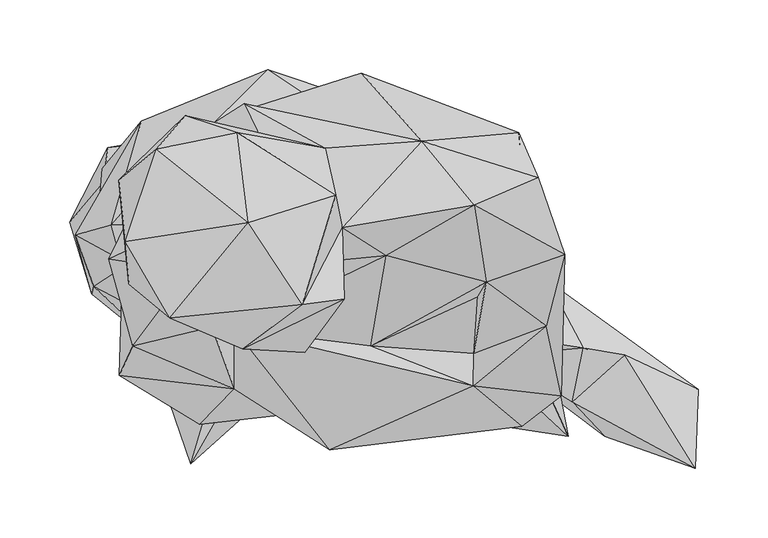
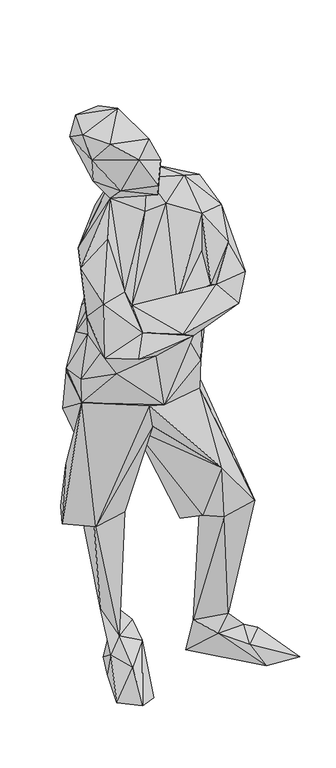
"""IFC4 building model written with IfcOpenShell, lengths in millimetres: geographic element geometry."""

import ifcopenshell
import ifcopenshell.guid

model = None  # the IFC model being written
_history = None  # IfcOwnerHistory: only IFC2X3 demands one
_inside = {}  # id of a spatial element -> (the spatial element, [elements in it])
_under = {}  # id of a project, library or spatial element -> (it, [spatial elements below it])
_declared = {}  # id of a project -> (the project, [libraries it declares])
_typed = {}  # id of a type object -> (the type object, [elements of that type])
_made_of = {}  # id of a material, layer set ... -> (it, [elements and type objects made of it])


def new_model(schema):
    """Start an empty IFC model of exactly this schema.

    Asked for "IFC4X3", IfcOpenShell would pick the latest addendum, in which some entities
    have other attributes; the version numbers below select the first issue.
    IFC2X3 requires an IfcOwnerHistory on every rooted entity: one is made here for all.
    """
    global model, _history
    if schema == "IFC4X3":
        model = ifcopenshell.file(schema_version=(4, 3, 0, 0))
    else:
        model = ifcopenshell.file(schema=schema)
    _inside.clear()
    _under.clear()
    _declared.clear()
    _typed.clear()
    _made_of.clear()
    _history = None
    if model.schema == "IFC2X3":
        org = make("IfcOrganization", Name="unknown")
        user = make(
            "IfcPersonAndOrganization",
            ThePerson=make("IfcPerson", FamilyName="unknown"),
            TheOrganization=org,
        )
        app = make(
            "IfcApplication",
            ApplicationDeveloper=org,
            Version="unknown",
            ApplicationFullName="unknown",
            ApplicationIdentifier="unknown",
        )
        _history = make(
            "IfcOwnerHistory",
            OwningUser=user,
            OwningApplication=app,
            ChangeAction="ADDED",
            CreationDate=0,
        )
    return model


def make(cls, **values):
    """One entity of the class cls with the attributes given. An attribute that is None is left unset."""
    return model.create_entity(
        cls, **{name: value for name, value in values.items() if value is not None}
    )


def rooted(cls, **values):
    """An entity with a GlobalId (a new one), such as an element, a storey or a relation."""
    return make(cls, GlobalId=ifcopenshell.guid.new(), OwnerHistory=_history, **values)


def si_unit(unit_type, name, prefix=None):
    """IfcSIUnit, for example si_unit("LENGTHUNIT", "METRE", prefix="MILLI")."""
    return make("IfcSIUnit", UnitType=unit_type, Prefix=prefix, Name=name)


def assignment(units):
    """IfcUnitAssignment: the units of a project."""
    return None if units is None else make("IfcUnitAssignment", Units=units)


def point(xyz):
    """IfcCartesianPoint."""
    return None if xyz is None else make("IfcCartesianPoint", Coordinates=xyz)


def direction(xyz):
    """IfcDirection."""
    return None if xyz is None else make("IfcDirection", DirectionRatios=xyz)


def frame(location, z_axis=None, x_axis=None):
    """IfcAxis2Placement3D, a coordinate frame: its origin and axes. An axis left out is left unset."""
    return make(
        "IfcAxis2Placement3D",
        Location=point(location),
        Axis=direction(z_axis),
        RefDirection=direction(x_axis),
    )


def origin():
    """The frame at (0, 0, 0) with its axes left unset."""
    return frame((0.0, 0.0, 0.0))


def place(relative_to, where):
    """IfcLocalPlacement: puts the frame where relative to a parent placement (None: the world)."""
    return make(
        "IfcLocalPlacement", PlacementRelTo=relative_to, RelativePlacement=where
    )


def context(
    kind, dimensions, precision=None, world=None, true_north=None, identifier=None
):
    """IfcGeometricRepresentationContext, for example the 3D "Model" context."""
    return make(
        "IfcGeometricRepresentationContext",
        ContextIdentifier=identifier,
        ContextType=kind,
        CoordinateSpaceDimension=dimensions,
        Precision=precision,
        WorldCoordinateSystem=world,
        TrueNorth=true_north,
    )


def project(units=None, contexts=None):
    """IfcProject with its units and contexts."""
    return rooted(
        "IfcProject",
        Name="project",
        RepresentationContexts=contexts,
        UnitsInContext=assignment(units),
    )


def spatial(cls, under=None, at=None, **own):
    """A site, building, storey or space (cls), placed at a placement, below another one or the project."""
    s = rooted(cls, ObjectPlacement=at, **own)
    if under is not None:
        _under.setdefault(under.id(), (under, []))[1].append(s)
    return s


def faces_of(points, faces, orient=None, outer=None):
    """IfcFace entities. A face is a list of loops; a loop is a list of indices into points, from 0.

    orient and outer hold one flag for each loop. By default every Orientation is true, the
    first loop of a face is its IfcFaceOuterBound and the others are IfcFaceBound.
    """
    made = []
    for i, loops in enumerate(faces):
        bounds = []
        for j, loop in enumerate(loops):
            is_outer = j == 0 if outer is None else outer[i][j]
            bounds.append(
                make(
                    "IfcFaceOuterBound" if is_outer else "IfcFaceBound",
                    Bound=make("IfcPolyLoop", Polygon=[points[k] for k in loop]),
                    Orientation=True if orient is None else orient[i][j],
                )
            )
        made.append(make("IfcFace", Bounds=bounds))
    return made


def faceted_brep(points, faces, orient=None, outer=None, voids=None):
    """IfcFacetedBrep: a solid bounded by flat faces; with voids (closed shells), ...WithVoids."""
    shared = [point(p) for p in points]
    hull = make("IfcClosedShell", CfsFaces=faces_of(shared, faces, orient, outer))
    if voids is None:
        return make("IfcFacetedBrep", Outer=hull)
    return make(
        "IfcFacetedBrepWithVoids",
        Outer=hull,
        Voids=[
            make(cls, CfsFaces=faces_of(shared, fs, o, b)) for cls, fs, o, b in voids
        ],
    )


def shape(context_of_items, identifier, shape_type, items):
    """IfcShapeRepresentation: the items that make up one representation, for example the "Body"."""
    return make(
        "IfcShapeRepresentation",
        ContextOfItems=context_of_items,
        RepresentationIdentifier=identifier,
        RepresentationType=shape_type,
        Items=items,
    )


def source(mapping_origin, context_of_items, identifier, shape_type, items):
    """IfcRepresentationMap: a shape defined once, which mapped items show again and again."""
    return make(
        "IfcRepresentationMap",
        MappingOrigin=mapping_origin,
        MappedRepresentation=shape(context_of_items, identifier, shape_type, items),
    )


def transform(
    local_origin,
    x_axis=None,
    y_axis=None,
    z_axis=None,
    scale=None,
    scale2=None,
    scale3=None,
    uniform=True,
):
    """IfcCartesianTransformationOperator3D, or its non-uniform kind. x_axis, y_axis, z_axis: its Axis1, 2, 3."""
    if uniform:
        return make(
            "IfcCartesianTransformationOperator3D",
            Axis1=direction(x_axis),
            Axis2=direction(y_axis),
            LocalOrigin=point(local_origin),
            Scale=scale,
            Axis3=direction(z_axis),
        )
    return make(
        "IfcCartesianTransformationOperator3DnonUniform",
        Axis1=direction(x_axis),
        Axis2=direction(y_axis),
        LocalOrigin=point(local_origin),
        Scale=scale,
        Axis3=direction(z_axis),
        Scale2=scale2,
        Scale3=scale3,
    )


def mapped(mapping_source, mapping_target):
    """IfcMappedItem: shows the shape of a source again, moved by a transform."""
    return make(
        "IfcMappedItem", MappingSource=mapping_source, MappingTarget=mapping_target
    )


def made_of(thing, what):
    """Note that an element or type object is made of a material, layer set ...; save() writes the relation."""
    if what is not None:
        _made_of.setdefault(what.id(), (what, []))[1].append(thing)
    return thing


def element(
    cls,
    number,
    at=None,
    inside=None,
    cuts=None,
    type_object=None,
    material=None,
    context=None,
    identifier="Body",
    shape_type=None,
    held_by="IfcProductDefinitionShape",
    body=None,
    shapes=None,
    **own,
):
    """One element of the class cls, such as IfcWall. Its Tag is "e" and its number.

    at: its placement. inside: the storey or other place that contains it. cuts: it is an
    opening in that element (IfcRelVoidsElement). A single representation is given by context,
    identifier, shape_type and body (its items); several are given by shapes. held_by: the class
    of the entity that holds the representations. save() writes the other relations.
    """
    e = rooted(cls, Tag="e%d" % number, ObjectPlacement=at, **own)
    if body is not None:
        shapes = [shape(context, identifier, shape_type, body)]
    if shapes is not None:
        e.Representation = make(held_by, Representations=shapes)
    if inside is not None:
        _inside.setdefault(inside.id(), (inside, []))[1].append(e)
    if cuts is not None:
        rooted(
            "IfcRelVoidsElement", RelatingBuildingElement=cuts, RelatedOpeningElement=e
        )
    if type_object is not None:
        _typed.setdefault(type_object.id(), (type_object, []))[1].append(e)
    return made_of(e, material)


def aggregate(whole, parts):
    """IfcRelAggregates: a whole, such as a stair, and the parts it consists of."""
    return rooted("IfcRelAggregates", RelatingObject=whole, RelatedObjects=parts)


def save(model, path):
    """Write the relations noted so far, then the file.

    IfcRelAggregates (storeys below a building ...), IfcRelContainedInSpatialStructure (elements
    in a storey), IfcRelDefinesByType, IfcRelAssociatesMaterial and IfcRelDeclares: one each for
    every whole, place, type object, material and project.
    """
    for whole, parts in _under.values():
        aggregate(whole, parts)
    for where, things in _inside.values():
        rooted(
            "IfcRelContainedInSpatialStructure",
            RelatedElements=things,
            RelatingStructure=where,
        )
    for kind, things in _typed.values():
        rooted("IfcRelDefinesByType", RelatedObjects=things, RelatingType=kind)
    for what, things in _made_of.values():
        rooted("IfcRelAssociatesMaterial", RelatedObjects=things, RelatingMaterial=what)
    for by, libraries in _declared.values():
        rooted("IfcRelDeclares", RelatingContext=by, RelatedDefinitions=libraries)
    model.write(path)


def geographic_element_f7f60d90(model_context):
    return source(origin(), model_context, "Body", "Brep", [
        faceted_brep([(118.0709884, 58.0493465, 930.7129864), (201.0430222, 103.7628489, 1088.2210597), (129.2403771, 122.7108747, 1125.8690218), (192.4575394, 159.1735016, 1150.783763), (257.4228911, 123.5286802, 1078.1403647), (192.0252419, 52.5717319, 947.4944951), (244.2652702, 72.3764068, 1021.6837995), (194.75658, 93.1154329, 1006.3327427), (238.4290517, 178.8018771, 1124.9048571), (231.8965615, 137.9613263, 954.2930008), (254.7772197, 22.0170335, 976.93758), (191.6875667, 29.0416066, 962.1104479), (88.8590504, -16.6430173, 903.9644487), (226.4856817, 0.1464283, 921.3057643), (20.1543064, 70.2397517, 945.5909016), (239.1024053, 53.5618656, 885.3590975), (130.8371409, 16.9557946, 865.3541696), (20.1234275, 26.9418057, 905.2902944), (-4.573144, 1.4652788, 863.7394798), (132.5783415, 57.3520653, 853.7863387), (63.7331523, 17.6590493, 719.0823466), (55.5710227, 34.4544719, 831.1995761), (191.8777949, 81.5954049, 888.3244882), (172.7893331, 59.206824, 765.757134), (232.7581913, 134.5028265, 863.5572684), (224.5412739, 211.1406002, 1009.6158857), (158.7451677, 218.0386606, 796.9692251), (178.8755782, 152.4059307, 794.9939272), (111.2366752, 253.8139789, 875.2207052), (154.8204999, 204.8332219, 1160.4928827), (21.8536739, 225.5054982, 938.5723356), (27.5295113, 231.9065155, 1091.2572011), (85.4214717, 199.8825496, 1196.1964221), (97.6148608, 143.0076194, 1188.7016149), (77.8420632, 117.907627, 1127.2246698), (3.9356332, 71.6811186, 983.6025116), (24.0919326, 164.0016416, 1150.5138732), (-12.4135305, 111.4687682, 1093.707548), (-52.6344881, 57.9855919, 980.9847353), (-62.3146921, 36.5990992, 865.2864588), (-59.8582842, 114.6642924, 918.6819678), (-69.8662019, 120.2903301, 1038.162457), (-34.5730069, 192.4306428, 1032.2983137), (-28.8503539, 145.9252369, 934.0091828), (-67.9158187, 144.8006314, 867.2039402), (-55.7672598, 116.8935806, 873.7653386), (46.1318748, 192.9964399, 1175.9335849), (-24.021208, 195.486722, 886.5554223), (77.2792613, 234.2822374, 815.5985374), (44.1386582, 256.2793462, 778.1068587), (142.5902528, 213.9227364, 691.8018971), (197.3803168, 144.7119695, 743.7629608), (-46.6598155, 219.2768278, 717.5104529), (57.7007078, 228.3912571, 699.8374972), (199.8586481, 125.3296419, 692.8836022), (247.4069863, 58.1529394, 474.5451451), (259.7368625, -6.9877165, 431.0718722), (177.056668, 70.1969183, 688.8922368), (187.288729, 89.3820066, 366.0816207), (235.2693797, 81.5715035, 386.3753927), (237.7895385, 61.4460848, 119.8968574), (196.0614597, 5.2574723, 405.5614719), (189.2729825, 3.9565516, 528.9257699), (46.5173716, 47.280393, 703.9843115), (62.8496028, 61.7050707, 640.1076238), (72.1273786, 149.1336953, 576.4113593), (156.0636441, 22.1554932, 412.4406227), (-82.0247297, 95.405488, 727.3261457), (-36.5423183, 118.9943835, 393.7775146), (-27.1280796, 50.7468575, 806.0746689), (-35.7265058, 76.7762279, 863.6200321), (-80.6082701, 100.6051886, 780.9498214), (-93.8814345, 137.6754476, 790.9905217), (58.7346696, 173.5962012, 624.3143601), (11.6076775, 208.5447286, 647.6681748), (-74.4931391, 185.4509092, 656.4119973), (131.230606, 69.9996865, 384.8304403), (39.22883, 133.4160699, 394.5614051), (159.3229155, 88.300227, 410.1376185), (182.6936729, 107.2283225, 95.4851794), (232.3248805, 102.3712891, 147.6873439), (244.9107438, 104.9601795, 66.7414061), (208.8116829, 51.1004769, 87.0511), (270.8046403, 56.6547916, 85.1505239), (182.3759056, 135.5218424, 4.9705924), (353.2407836, 26.7545354, 8.9141949), (300.5455099, 51.5387648, 69.4030142), (262.7829579, 17.9220231, 61.85349), (286.1865724, -6.9349226, 15.4895212), (351.0522799, -29.8434753, 29.2318627), (21.8935178, 124.0655839, 102.5884362), (-31.4412374, 136.4223344, 414.056296), (49.5266238, 176.0266998, 383.8681829), (-97.8718611, 146.975128, 405.8005462), (18.4370109, 210.5190281, 435.8850962), (-73.6066019, 175.294561, 524.1633589), (-70.4339883, 200.2630656, 406.3145468), (-23.5998534, 208.4032867, 401.1546622), (8.5316886, 177.7778693, 142.5195319), (34.9525283, 191.2811524, 143.6301899), (44.2920582, 191.4454973, 89.8840491), (-4.6717594, 112.4021174, 72.0566502), (62.4372095, 143.4329581, 117.154567), (67.9725996, 175.3114887, 14.3439945), (25.0780821, 193.7963194, 8.1541621), (66.9027782, 109.6080379, 84.4632079), (14.25534, 57.763464, 68.4069089), (-11.0189764, -26.7117039, 34.5401387), (41.1174553, 20.069638, 6.9687901), (7.3522929, 147.6803702, -0.6813398), (-33.5021909, 39.0126738, 9.1731827), (-29.1013733, 140.1926262, 1224.3275491), (-14.9585929, 223.1746139, 1270.1645933), (22.2461388, 210.9224621, 1349.3355346), (93.2279814, 166.0685817, 1283.5912546), (-62.6922168, 176.9670375, 1323.1814936), (-35.7563901, 199.0547901, 1354.8887801), (30.4361615, 146.5089601, 1379.3184587), (68.9726985, 87.6557444, 1326.8383577), (87.4356095, 84.4064344, 1184.7829672), (99.0462738, 91.6949797, 1261.8251883), (-25.9377245, 77.7922561, 1352.0469498), (26.4547054, 55.5421368, 1308.8357287), (-57.8570955, 132.9767837, 1353.2781434), (-55.4016822, 102.4340378, 1308.0657559), (8.7578044, 96.8717697, 1214.7569506), (70.6561274, 53.0249656, 1231.8153229)], [[[0, 1, 2]], [[1, 3, 2]], [[1, 4, 3]], [[1, 5, 6]], [[0, 7, 1]], [[7, 5, 1]], [[4, 1, 6]], [[8, 3, 4]], [[9, 4, 10]], [[8, 4, 9]], [[10, 4, 6]], [[11, 6, 5]], [[11, 10, 6]], [[5, 0, 11]], [[0, 5, 7]], [[12, 13, 11]], [[14, 12, 11]], [[14, 11, 0]], [[10, 11, 13]], [[9, 10, 15]], [[13, 15, 10]], [[16, 13, 12]], [[15, 13, 16]], [[17, 12, 14]], [[17, 16, 12]], [[18, 16, 17]], [[19, 16, 20]], [[19, 15, 16]], [[16, 21, 20]], [[21, 16, 18]], [[15, 19, 22]], [[15, 22, 9]], [[19, 23, 22]], [[23, 19, 20]], [[23, 24, 22]], [[9, 22, 24]], [[25, 9, 24]], [[25, 8, 9]], [[24, 26, 25]], [[24, 23, 27]], [[26, 24, 27]], [[25, 28, 29]], [[25, 26, 28]], [[8, 25, 29]], [[8, 29, 3]], [[28, 30, 29]], [[29, 30, 31]], [[29, 32, 33]], [[32, 29, 31]], [[29, 33, 3]], [[3, 33, 2]], [[0, 2, 14]], [[2, 33, 34]], [[14, 2, 34]], [[14, 34, 35]], [[17, 14, 35]], [[36, 34, 33]], [[36, 35, 34]], [[35, 37, 38]], [[38, 17, 35]], [[35, 36, 37]], [[38, 39, 17]], [[17, 39, 18]], [[39, 38, 40]], [[37, 41, 38]], [[38, 41, 40]], [[41, 37, 36]], [[42, 40, 41]], [[42, 41, 36]], [[43, 40, 42]], [[44, 40, 43]], [[44, 45, 40]], [[39, 40, 45]], [[46, 42, 36]], [[30, 43, 42]], [[31, 42, 46]], [[30, 42, 31]], [[47, 44, 43]], [[43, 30, 47]], [[47, 30, 28]], [[48, 44, 47]], [[47, 28, 48]], [[48, 28, 26]], [[48, 49, 44]], [[26, 49, 48]], [[49, 26, 50]], [[51, 50, 26]], [[51, 26, 27]], [[52, 49, 53]], [[49, 52, 44]], [[50, 53, 49]], [[50, 54, 55]], [[50, 55, 53]], [[51, 54, 50]], [[51, 27, 23]], [[54, 51, 23]], [[55, 54, 56]], [[54, 57, 56]], [[57, 54, 23]], [[58, 53, 55]], [[59, 55, 56]], [[59, 58, 55]], [[56, 60, 59]], [[61, 60, 56]], [[57, 62, 56]], [[62, 61, 56]], [[62, 57, 63]], [[57, 20, 63]], [[57, 23, 20]], [[62, 64, 65]], [[66, 62, 65]], [[63, 64, 62]], [[61, 62, 66]], [[67, 68, 63]], [[67, 63, 20]], [[64, 63, 68]], [[69, 20, 21]], [[67, 20, 69]], [[39, 69, 21]], [[21, 18, 39]], [[69, 70, 71]], [[69, 39, 70]], [[67, 69, 71]], [[70, 39, 45]], [[70, 45, 71]], [[71, 45, 72]], [[67, 71, 72]], [[44, 72, 45]], [[67, 72, 52]], [[44, 52, 72]], [[73, 52, 53]], [[73, 74, 52]], [[67, 52, 75]], [[52, 74, 75]], [[53, 58, 65]], [[73, 53, 65]], [[65, 58, 76]], [[77, 65, 64]], [[65, 76, 66]], [[77, 73, 65]], [[78, 66, 76]], [[58, 78, 76]], [[66, 78, 58]], [[66, 58, 61]], [[79, 61, 58]], [[59, 79, 58]], [[79, 60, 61]], [[80, 59, 60]], [[80, 60, 81]], [[60, 82, 83]], [[82, 60, 79]], [[83, 81, 60]], [[80, 79, 59]], [[81, 79, 80]], [[84, 79, 81]], [[82, 79, 84]], [[81, 85, 84]], [[85, 81, 83]], [[85, 83, 86]], [[86, 83, 87]], [[83, 82, 87]], [[84, 88, 82]], [[82, 88, 87]], [[84, 85, 88]], [[85, 86, 89]], [[89, 88, 85]], [[89, 86, 87]], [[87, 88, 89]], [[68, 77, 64]], [[90, 77, 91]], [[68, 91, 77]], [[92, 77, 90]], [[73, 77, 92]], [[93, 68, 67]], [[68, 93, 91]], [[75, 94, 67]], [[93, 67, 95]], [[94, 95, 67]], [[93, 95, 96]], [[96, 91, 93]], [[94, 96, 95]], [[97, 96, 94]], [[97, 91, 96]], [[91, 97, 98]], [[94, 99, 97]], [[97, 99, 98]], [[98, 90, 91]], [[98, 100, 101]], [[98, 101, 90]], [[100, 98, 99]], [[100, 102, 103]], [[100, 99, 102]], [[100, 104, 101]], [[104, 100, 103]], [[99, 90, 102]], [[102, 90, 105]], [[102, 105, 103]], [[92, 90, 99]], [[106, 105, 90]], [[106, 90, 101]], [[107, 105, 106]], [[108, 105, 107]], [[103, 105, 108]], [[103, 109, 104]], [[103, 108, 109]], [[109, 101, 104]], [[108, 110, 109]], [[110, 101, 109]], [[108, 107, 110]], [[107, 106, 110]], [[106, 101, 110]], [[94, 92, 99]], [[73, 92, 94]], [[94, 74, 73]], [[75, 74, 94]], [[32, 31, 46]], [[46, 111, 112]], [[111, 46, 36]], [[46, 112, 32]], [[113, 114, 32]], [[32, 114, 33]], [[113, 32, 112]], [[115, 112, 111]], [[115, 116, 112]], [[113, 112, 116]], [[114, 113, 117]], [[113, 116, 117]], [[114, 117, 118]], [[33, 114, 118]], [[33, 119, 36]], [[33, 118, 120]], [[33, 120, 119]], [[121, 118, 117]], [[118, 121, 122]], [[122, 120, 118]], [[123, 117, 116]], [[121, 117, 123]], [[123, 116, 115]], [[124, 121, 123]], [[115, 124, 123]], [[115, 111, 124]], [[124, 125, 122]], [[125, 124, 111]], [[121, 124, 122]], [[125, 126, 122]], [[120, 122, 126]], [[119, 120, 126]], [[119, 126, 125]], [[36, 119, 125]], [[111, 36, 125]]]),
    ])


if __name__ == "__main__":
    model = new_model("IFC4")
    model_context = context("Model", 3, world=origin())
    ifc_project = project(units=[si_unit("LENGTHUNIT", "METRE", prefix="MILLI")], contexts=[model_context])
    site = spatial("IfcSite", under=ifc_project)
    building = spatial("IfcBuilding", under=site)
    placement = place(None, origin())
    geographic_element_shape = geographic_element_f7f60d90(model_context)
    element("IfcGeographicElement", 1, at=placement, inside=building, context=model_context, shape_type="MappedRepresentation", body=[
        mapped(geographic_element_shape, transform((0.0, 0.0, 0.0), x_axis=(1.0, 0.0, 0.0), y_axis=(0.0, 1.0, 0.0), z_axis=(0.0, 0.0, 1.0))),
    ])
    save(model, "model.ifc")
